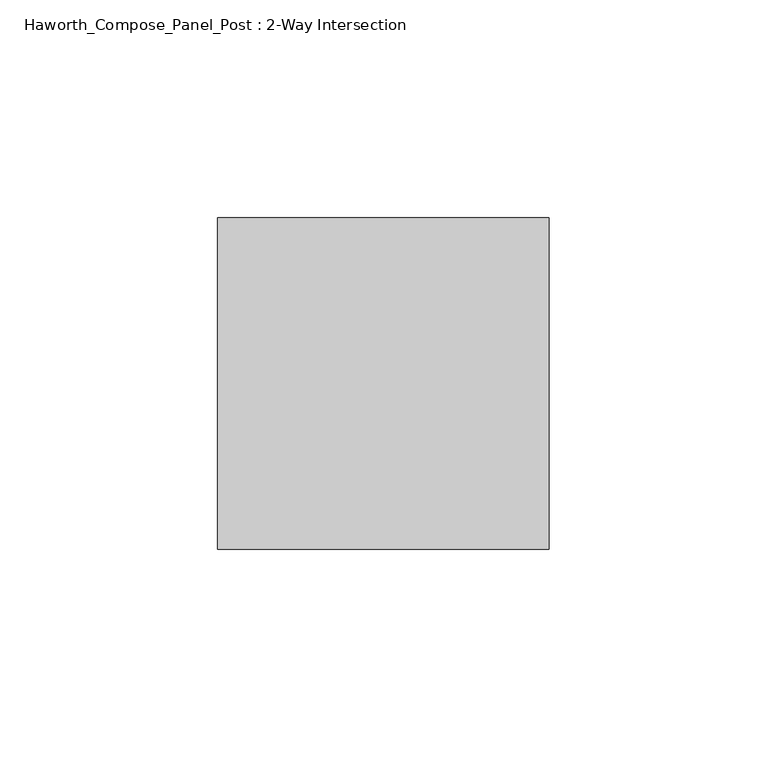
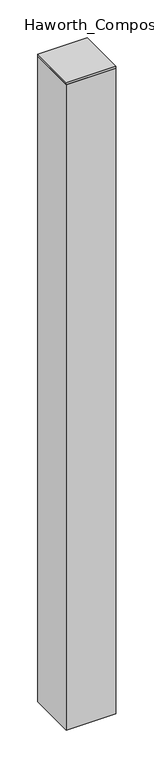
"""IFC4 building model written with IfcOpenShell, lengths in millimetres: furniture geometry, Haworth_Compose_Panel_Post : 2-Way Intersection."""

from ifc_helpers import new_model, si_unit, frame, origin, place, context, project, spatial, polyline, outline, extrude, source, transform, mapped, element, save


def haworth_compose_panel_post_2_way_intersection_03610c70(model_context):
    return source(origin(), model_context, "Body", "SweptSolid", [
        extrude(outline(polyline([(0.0, 38.1), (76.2, 38.1), (76.2, -38.1), (0.0, -38.1), (0.0, 38.1)])), frame((0.0, 0.0, 1060.45), z_axis=(0.0, 0.0, 1.0), x_axis=(1.0, 0.0, 0.0)), (0.0, 0.0, 1.0), 3.175),
        extrude(outline(polyline([(76.2, 38.1), (76.2, -38.1), (0.0, -38.1), (0.0, 38.1), (76.2, 38.1)])), frame((0.0, 0.0, 12.7), z_axis=(0.0, 0.0, 1.0), x_axis=(1.0, 0.0, 0.0)), (0.0, 0.0, 1.0), 1047.75),
    ])


if __name__ == "__main__":
    model = new_model("IFC4")
    model_context = context("Model", 3, world=origin())
    ifc_project = project(units=[si_unit("LENGTHUNIT", "METRE", prefix="MILLI")], contexts=[model_context])
    site = spatial("IfcSite", under=ifc_project)
    building = spatial("IfcBuilding", under=site)
    placement = place(None, origin())
    haworth_compose_panel_post_2_way_intersection_shape = haworth_compose_panel_post_2_way_intersection_03610c70(model_context)
    element("IfcFurniture", 1, ObjectType="Haworth_Compose_Panel_Post : 2-Way Intersection", at=placement, inside=building, context=model_context, shape_type="MappedRepresentation", body=[
        mapped(haworth_compose_panel_post_2_way_intersection_shape, transform((0.0, 0.0, 0.0), x_axis=(1.0, 0.0, 0.0), y_axis=(0.0, 1.0, 0.0), z_axis=(0.0, 0.0, 1.0))),
    ])
    save(model, "model.ifc")
